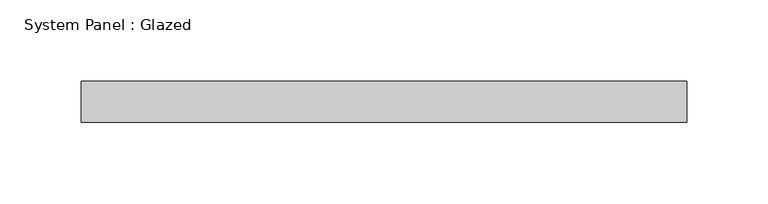
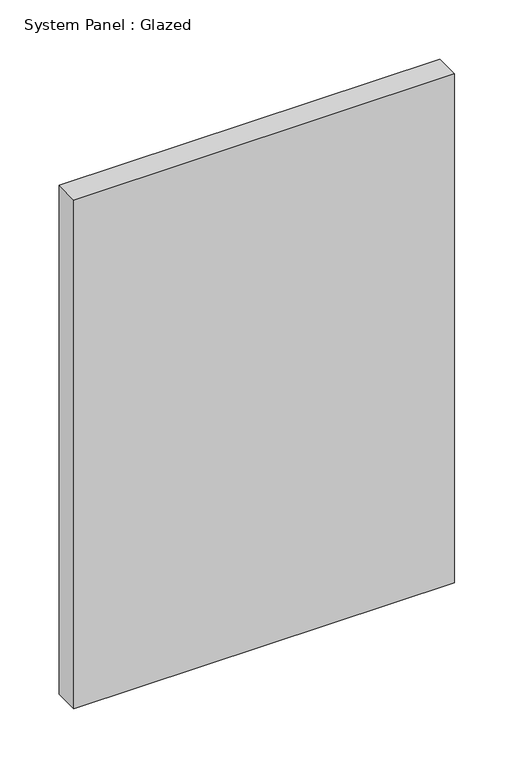
"""IFC4 building model written with IfcOpenShell, lengths in millimetres: plate geometry, System Panel : Glazed."""

from ifc_helpers import new_model, si_unit, origin, origin_with_axes, place, context, project, spatial, polyline, outline, extrude, source, transform, mapped, element, save


def system_panel_glazed_9dec8ec2(model_context):
    return source(origin(), model_context, "Body", "SweptSolid", [
        extrude(outline(polyline([(185.9054087, -49.5), (-185.9054087, -49.5), (-185.9054087, -24.5), (185.9054087, -24.5), (185.9054087, -49.5)])), origin_with_axes(), (0.0, 0.0, 1.0), 525.0),
    ])


if __name__ == "__main__":
    model = new_model("IFC4")
    model_context = context("Model", 3, world=origin())
    ifc_project = project(units=[si_unit("LENGTHUNIT", "METRE", prefix="MILLI")], contexts=[model_context])
    site = spatial("IfcSite", under=ifc_project)
    building = spatial("IfcBuilding", under=site)
    placement = place(None, origin())
    system_panel_glazed_shape = system_panel_glazed_9dec8ec2(model_context)
    element("IfcPlate", 1, ObjectType="System Panel : Glazed", at=placement, inside=building, context=model_context, shape_type="MappedRepresentation", body=[
        mapped(system_panel_glazed_shape, transform((0.0, 0.0, 0.0), x_axis=(1.0, 0.0, 0.0), y_axis=(0.0, 1.0, 0.0), z_axis=(0.0, 0.0, 1.0))),
    ])
    save(model, "model.ifc")
